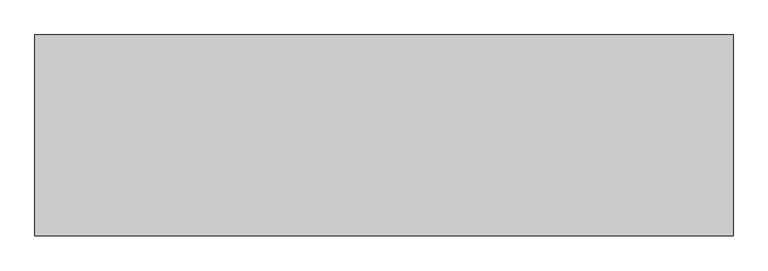
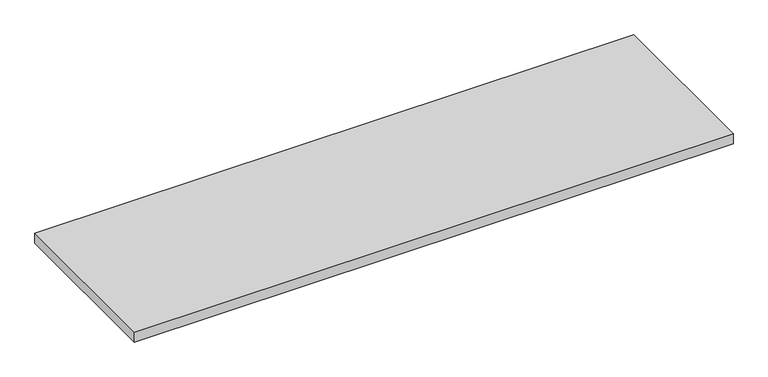
"""IFC4 building model written with IfcOpenShell, lengths in millimetres: furniture geometry."""

from ifc_helpers import new_model, si_unit, frame, origin, place, context, project, spatial, polyline, outline, extrude, source, transform, mapped, element, save


def furniture_1176cc17(model_context):
    return source(origin(), model_context, "Body", "SweptSolid", [
        extrude(outline(polyline([(2055.876, 0.0), (2055.876, -592.074), (0.0, -592.074), (0.0, 0.0), (2055.876, 0.0)])), frame((0.0, 0.0, 697.738), z_axis=(0.0, 0.0, 1.0), x_axis=(1.0, 0.0, 0.0)), (0.0, 0.0, 1.0), 36.3449586),
    ])


if __name__ == "__main__":
    model = new_model("IFC4")
    model_context = context("Model", 3, world=origin())
    ifc_project = project(units=[si_unit("LENGTHUNIT", "METRE", prefix="MILLI")], contexts=[model_context])
    site = spatial("IfcSite", under=ifc_project)
    building = spatial("IfcBuilding", under=site)
    placement = place(None, origin())
    furniture_shape = furniture_1176cc17(model_context)
    element("IfcFurniture", 1, at=placement, inside=building, context=model_context, shape_type="MappedRepresentation", body=[
        mapped(furniture_shape, transform((0.0, 0.0, 0.0), x_axis=(1.0, 0.0, 0.0), y_axis=(0.0, 1.0, 0.0), z_axis=(0.0, 0.0, 1.0))),
    ])
    save(model, "model.ifc")
